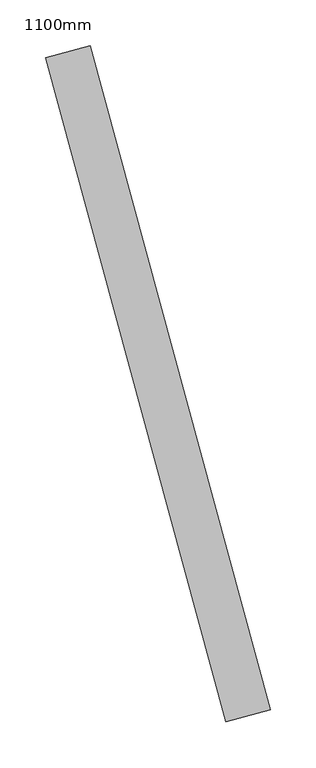
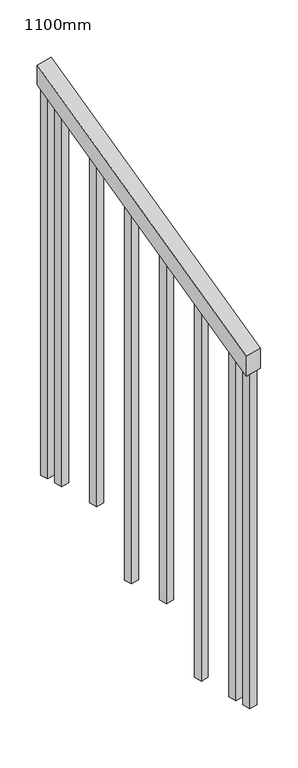
"""IFC4 building model written with IfcOpenShell, lengths in millimetres: railing geometry, 1100mm."""

from ifc_helpers import new_model, si_unit, frame, origin, place, context, project, spatial, polyline, outline, extrude, source, transform, mapped, element, save


def railing_1100mm_8b6053c2(model_context):
    return source(origin(), model_context, "Body", "SweptSolid", [
        extrude(outline(polyline([(-35.5555555, -50.0), (0.0, 0.0), (920.2958461, 0.0), (884.7402905, -50.0), (-35.5555555, -50.0)])), frame((289831.6007679, -51090.1277002, 1277.7777778), z_axis=(0.9649894123601852, 0.2622888370341833, 0.0), x_axis=(-0.21375368431595734, 0.7864232597554186, 0.5795237863599868)), (0.0, 0.0, 1.0), 50.0),
        extrude(outline(polyline([(108.8888889, 0.0), (91.1111112, 25.0), (1271.980277, 25.0), (1271.980277, 0.0), (108.8888889, 0.0)])), frame((289666.6181706, -50435.4812364, 1805.3136103), z_axis=(0.9649894123601821, 0.2622888370341949, 0.0), x_axis=(0.0, 0.0, -1.0)), (0.0, 0.0, 1.0), 25.0),
        extrude(outline(polyline([(108.8888889, 0.0), (91.1111111, 25.0), (1183.0913881, 25.0), (1183.0913881, 0.0), (108.8888889, 0.0)])), frame((289699.4042752, -50556.104913, 1716.4247214), z_axis=(0.9649894123601821, 0.2622888370341949, 0.0), x_axis=(0.0, 0.0, -1.0)), (0.0, 0.0, 1.0), 25.0),
        extrude(outline(polyline([(108.8888889, 0.0), (91.1111111, 25.0), (1271.9802769, 25.0), (1271.9802769, 0.0), (108.8888889, 0.0)])), frame((289732.1903798, -50676.7285895, 1627.5358325), z_axis=(0.9649894123601821, 0.2622888370341949, 0.0), x_axis=(0.0, 0.0, -1.0)), (0.0, 0.0, 1.0), 25.0),
        extrude(outline(polyline([(108.8888889, 0.0), (91.1111111, 25.0000001), (1183.091388, 25.0000001), (1183.091388, 0.0), (108.8888889, 0.0)])), frame((289764.9764844, -50797.3522661, 1538.6469436), z_axis=(0.9649894123601821, 0.2622888370341949, 0.0), x_axis=(0.0, 0.0, -1.0)), (0.0, 0.0, 1.0), 25.0),
        extrude(outline(polyline([(108.8888889, 0.0), (91.1111111, 25.0), (1271.9802769, 25.0), (1271.9802769, 0.0), (108.8888889, 0.0)])), frame((289797.7625891, -50917.9759426, 1449.7580547), z_axis=(0.9649894123601821, 0.2622888370341949, 0.0), x_axis=(0.0, 0.0, -1.0)), (0.0, 0.0, 1.0), 25.0),
        extrude(outline(polyline([(108.8888889, 0.0), (91.1111111, 25.0), (1183.091388, 25.0), (1183.091388, 0.0), (108.8888889, 0.0)])), frame((289830.5486937, -51038.5996191, 1360.8691658), z_axis=(0.9649894123601821, 0.2622888370341949, 0.0), x_axis=(0.0, 0.0, -1.0)), (0.0, 0.0, 1.0), 25.0),
        extrude(outline(polyline([(108.8888889, 0.0), (91.1111111, 25.0), (1307.5358325, 25.0), (1307.5358325, 0.0), (108.8888889, 0.0)])), frame((289653.5037287, -50387.2317658, 1840.8691658), z_axis=(0.9649894123601821, 0.2622888370341949, 0.0), x_axis=(0.0, 0.0, -1.0)), (0.0, 0.0, 1.0), 25.0),
        extrude(outline(polyline([(108.8888889, 0.0), (91.1111112, 25.0), (1147.5358325, 25.0), (1147.5358325, 0.0), (108.8888889, 0.0)])), frame((289843.6631356, -51086.8490898, 1325.3136103), z_axis=(0.9649894123601821, 0.2622888370341949, 0.0), x_axis=(0.0, 0.0, -1.0)), (0.0, 0.0, 1.0), 25.0),
    ])


if __name__ == "__main__":
    model = new_model("IFC4")
    model_context = context("Model", 3, world=origin())
    ifc_project = project(units=[si_unit("LENGTHUNIT", "METRE", prefix="MILLI")], contexts=[model_context])
    site = spatial("IfcSite", under=ifc_project)
    building = spatial("IfcBuilding", under=site)
    placement = place(None, origin())
    railing_1100mm_shape = railing_1100mm_8b6053c2(model_context)
    element("IfcRailing", 1, ObjectType="1100mm", at=placement, inside=building, context=model_context, shape_type="MappedRepresentation", body=[
        mapped(railing_1100mm_shape, transform((0.0, 0.0, 0.0), x_axis=(1.0, 0.0, 0.0), y_axis=(0.0, 1.0, 0.0), z_axis=(0.0, 0.0, 1.0))),
    ])
    save(model, "model.ifc")
